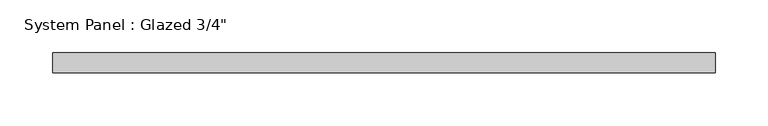
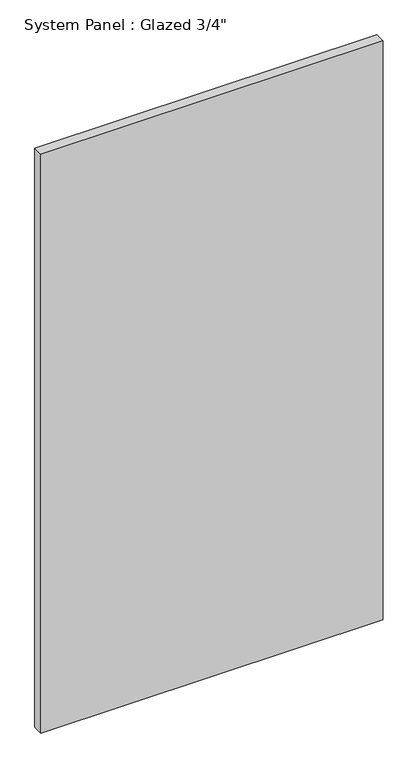
"""IFC4 building model written with IfcOpenShell, lengths in millimetres: plate geometry."""

from ifc_helpers import new_model, si_unit, origin, origin_with_axes, place, context, project, spatial, polyline, outline, extrude, source, transform, mapped, element, save


def plate_14524850(model_context):
    return source(origin(), model_context, "Body", "SweptSolid", [
        extrude(outline(polyline([(314.325, -4.7625), (-314.325, -4.7625), (-314.325, 14.2875), (314.325, 14.2875), (314.325, -4.7625)])), origin_with_axes(), (0.0, 0.0, 1.0), 1123.95),
    ])


if __name__ == "__main__":
    model = new_model("IFC4")
    model_context = context("Model", 3, world=origin())
    ifc_project = project(units=[si_unit("LENGTHUNIT", "METRE", prefix="MILLI")], contexts=[model_context])
    site = spatial("IfcSite", under=ifc_project)
    building = spatial("IfcBuilding", under=site)
    placement = place(None, origin())
    plate_shape = plate_14524850(model_context)
    element("IfcPlate", 1, ObjectType="System Panel : Glazed 3/4\"", at=placement, inside=building, context=model_context, shape_type="MappedRepresentation", body=[
        mapped(plate_shape, transform((0.0, 0.0, 0.0), x_axis=(1.0, 0.0, 0.0), y_axis=(0.0, 1.0, 0.0), z_axis=(0.0, 0.0, 1.0))),
    ])
    save(model, "model.ifc")
